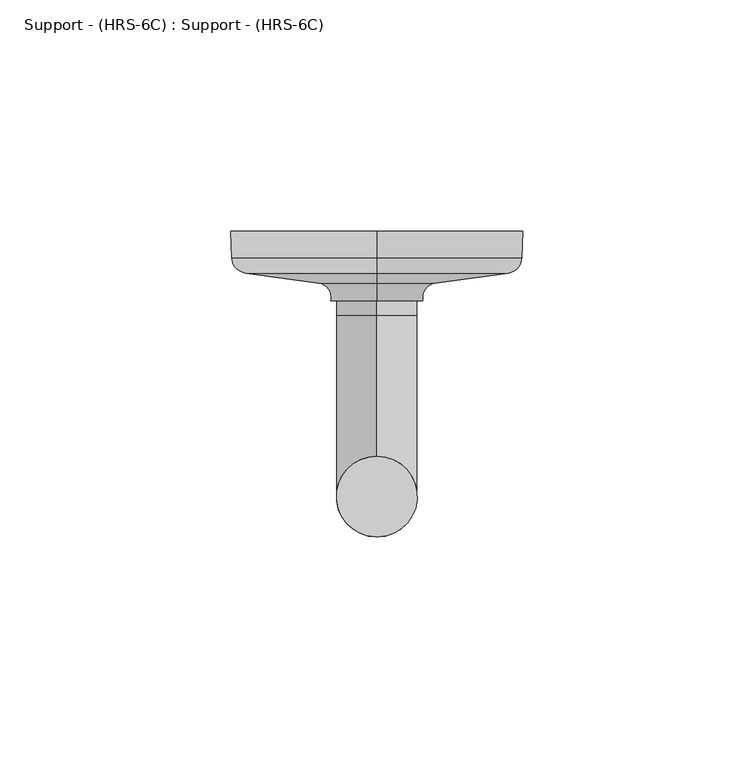
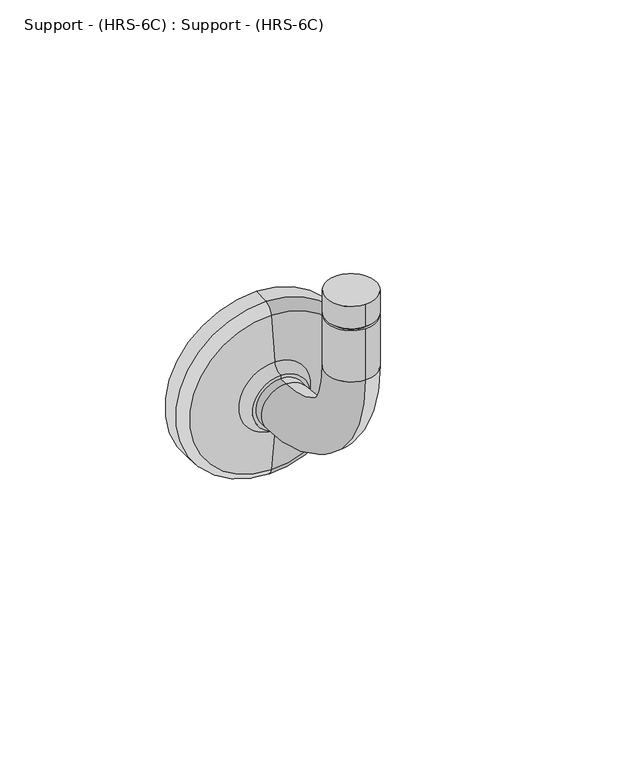
"""IFC4 building model written with IfcOpenShell, lengths in millimetres: proxy geometry, Support - (HRS-6C) : Support - (HRS-6C)."""

import ifcopenshell
import ifcopenshell.guid

model = None  # the IFC model being written
_history = None  # IfcOwnerHistory: only IFC2X3 demands one
_inside = {}  # id of a spatial element -> (the spatial element, [elements in it])
_under = {}  # id of a project, library or spatial element -> (it, [spatial elements below it])
_declared = {}  # id of a project -> (the project, [libraries it declares])
_typed = {}  # id of a type object -> (the type object, [elements of that type])
_made_of = {}  # id of a material, layer set ... -> (it, [elements and type objects made of it])


def new_model(schema):
    """Start an empty IFC model of exactly this schema.

    Asked for "IFC4X3", IfcOpenShell would pick the latest addendum, in which some entities
    have other attributes; the version numbers below select the first issue.
    IFC2X3 requires an IfcOwnerHistory on every rooted entity: one is made here for all.
    """
    global model, _history
    if schema == "IFC4X3":
        model = ifcopenshell.file(schema_version=(4, 3, 0, 0))
    else:
        model = ifcopenshell.file(schema=schema)
    _inside.clear()
    _under.clear()
    _declared.clear()
    _typed.clear()
    _made_of.clear()
    _history = None
    if model.schema == "IFC2X3":
        org = make("IfcOrganization", Name="unknown")
        user = make(
            "IfcPersonAndOrganization",
            ThePerson=make("IfcPerson", FamilyName="unknown"),
            TheOrganization=org,
        )
        app = make(
            "IfcApplication",
            ApplicationDeveloper=org,
            Version="unknown",
            ApplicationFullName="unknown",
            ApplicationIdentifier="unknown",
        )
        _history = make(
            "IfcOwnerHistory",
            OwningUser=user,
            OwningApplication=app,
            ChangeAction="ADDED",
            CreationDate=0,
        )
    return model


def make(cls, **values):
    """One entity of the class cls with the attributes given. An attribute that is None is left unset."""
    return model.create_entity(
        cls, **{name: value for name, value in values.items() if value is not None}
    )


def rooted(cls, **values):
    """An entity with a GlobalId (a new one), such as an element, a storey or a relation."""
    return make(cls, GlobalId=ifcopenshell.guid.new(), OwnerHistory=_history, **values)


def si_unit(unit_type, name, prefix=None):
    """IfcSIUnit, for example si_unit("LENGTHUNIT", "METRE", prefix="MILLI")."""
    return make("IfcSIUnit", UnitType=unit_type, Prefix=prefix, Name=name)


def assignment(units):
    """IfcUnitAssignment: the units of a project."""
    return None if units is None else make("IfcUnitAssignment", Units=units)


def point(xyz):
    """IfcCartesianPoint."""
    return None if xyz is None else make("IfcCartesianPoint", Coordinates=xyz)


def direction(xyz):
    """IfcDirection."""
    return None if xyz is None else make("IfcDirection", DirectionRatios=xyz)


def frame(location, z_axis=None, x_axis=None):
    """IfcAxis2Placement3D, a coordinate frame: its origin and axes. An axis left out is left unset."""
    return make(
        "IfcAxis2Placement3D",
        Location=point(location),
        Axis=direction(z_axis),
        RefDirection=direction(x_axis),
    )


def origin():
    """The frame at (0, 0, 0) with its axes left unset."""
    return frame((0.0, 0.0, 0.0))


def place(relative_to, where):
    """IfcLocalPlacement: puts the frame where relative to a parent placement (None: the world)."""
    return make(
        "IfcLocalPlacement", PlacementRelTo=relative_to, RelativePlacement=where
    )


def context(
    kind, dimensions, precision=None, world=None, true_north=None, identifier=None
):
    """IfcGeometricRepresentationContext, for example the 3D "Model" context."""
    return make(
        "IfcGeometricRepresentationContext",
        ContextIdentifier=identifier,
        ContextType=kind,
        CoordinateSpaceDimension=dimensions,
        Precision=precision,
        WorldCoordinateSystem=world,
        TrueNorth=true_north,
    )


def project(units=None, contexts=None):
    """IfcProject with its units and contexts."""
    return rooted(
        "IfcProject",
        Name="project",
        RepresentationContexts=contexts,
        UnitsInContext=assignment(units),
    )


def spatial(cls, under=None, at=None, **own):
    """A site, building, storey or space (cls), placed at a placement, below another one or the project."""
    s = rooted(cls, ObjectPlacement=at, **own)
    if under is not None:
        _under.setdefault(under.id(), (under, []))[1].append(s)
    return s


def polyline(points):
    """IfcPolyline through the points."""
    return make("IfcPolyline", Points=[point(p) for p in points])


def circle_curve(where, radius):
    """IfcCircle in the frame where."""
    return make("IfcCircle", Position=where, Radius=radius)


def ellipse_curve(where, semi_axis1, semi_axis2):
    """IfcEllipse in the frame where."""
    return make(
        "IfcEllipse", Position=where, SemiAxis1=semi_axis1, SemiAxis2=semi_axis2
    )


def trimmed(basis, trim1, trim2, sense, master):
    """IfcTrimmedCurve: the piece of a basis curve between two trims."""
    return make(
        "IfcTrimmedCurve",
        BasisCurve=basis,
        Trim1=trim1,
        Trim2=trim2,
        SenseAgreement=sense,
        MasterRepresentation=master,
    )


def shape(context_of_items, identifier, shape_type, items):
    """IfcShapeRepresentation: the items that make up one representation, for example the "Body"."""
    return make(
        "IfcShapeRepresentation",
        ContextOfItems=context_of_items,
        RepresentationIdentifier=identifier,
        RepresentationType=shape_type,
        Items=items,
    )


def source(mapping_origin, context_of_items, identifier, shape_type, items):
    """IfcRepresentationMap: a shape defined once, which mapped items show again and again."""
    return make(
        "IfcRepresentationMap",
        MappingOrigin=mapping_origin,
        MappedRepresentation=shape(context_of_items, identifier, shape_type, items),
    )


def transform(
    local_origin,
    x_axis=None,
    y_axis=None,
    z_axis=None,
    scale=None,
    scale2=None,
    scale3=None,
    uniform=True,
):
    """IfcCartesianTransformationOperator3D, or its non-uniform kind. x_axis, y_axis, z_axis: its Axis1, 2, 3."""
    if uniform:
        return make(
            "IfcCartesianTransformationOperator3D",
            Axis1=direction(x_axis),
            Axis2=direction(y_axis),
            LocalOrigin=point(local_origin),
            Scale=scale,
            Axis3=direction(z_axis),
        )
    return make(
        "IfcCartesianTransformationOperator3DnonUniform",
        Axis1=direction(x_axis),
        Axis2=direction(y_axis),
        LocalOrigin=point(local_origin),
        Scale=scale,
        Axis3=direction(z_axis),
        Scale2=scale2,
        Scale3=scale3,
    )


def mapped(mapping_source, mapping_target):
    """IfcMappedItem: shows the shape of a source again, moved by a transform."""
    return make(
        "IfcMappedItem", MappingSource=mapping_source, MappingTarget=mapping_target
    )


def made_of(thing, what):
    """Note that an element or type object is made of a material, layer set ...; save() writes the relation."""
    if what is not None:
        _made_of.setdefault(what.id(), (what, []))[1].append(thing)
    return thing


def element(
    cls,
    number,
    at=None,
    inside=None,
    cuts=None,
    type_object=None,
    material=None,
    context=None,
    identifier="Body",
    shape_type=None,
    held_by="IfcProductDefinitionShape",
    body=None,
    shapes=None,
    **own,
):
    """One element of the class cls, such as IfcWall. Its Tag is "e" and its number.

    at: its placement. inside: the storey or other place that contains it. cuts: it is an
    opening in that element (IfcRelVoidsElement). A single representation is given by context,
    identifier, shape_type and body (its items); several are given by shapes. held_by: the class
    of the entity that holds the representations. save() writes the other relations.
    """
    e = rooted(cls, Tag="e%d" % number, ObjectPlacement=at, **own)
    if body is not None:
        shapes = [shape(context, identifier, shape_type, body)]
    if shapes is not None:
        e.Representation = make(held_by, Representations=shapes)
    if inside is not None:
        _inside.setdefault(inside.id(), (inside, []))[1].append(e)
    if cuts is not None:
        rooted(
            "IfcRelVoidsElement", RelatingBuildingElement=cuts, RelatedOpeningElement=e
        )
    if type_object is not None:
        _typed.setdefault(type_object.id(), (type_object, []))[1].append(e)
    return made_of(e, material)


def aggregate(whole, parts):
    """IfcRelAggregates: a whole, such as a stair, and the parts it consists of."""
    return rooted("IfcRelAggregates", RelatingObject=whole, RelatedObjects=parts)


def save(model, path):
    """Write the relations noted so far, then the file.

    IfcRelAggregates (storeys below a building ...), IfcRelContainedInSpatialStructure (elements
    in a storey), IfcRelDefinesByType, IfcRelAssociatesMaterial and IfcRelDeclares: one each for
    every whole, place, type object, material and project.
    """
    for whole, parts in _under.values():
        aggregate(whole, parts)
    for where, things in _inside.values():
        rooted(
            "IfcRelContainedInSpatialStructure",
            RelatedElements=things,
            RelatingStructure=where,
        )
    for kind, things in _typed.values():
        rooted("IfcRelDefinesByType", RelatedObjects=things, RelatingType=kind)
    for what, things in _made_of.values():
        rooted("IfcRelAssociatesMaterial", RelatedObjects=things, RelatingMaterial=what)
    for by, libraries in _declared.values():
        rooted("IfcRelDeclares", RelatingContext=by, RelatedDefinitions=libraries)
    model.write(path)


def plane_surface(at):
    """IfcPlane: the flat surface through the origin of the frame at, square to its z axis."""
    return make("IfcPlane", Position=at)


def cylinder_surface(at, radius):
    """IfcCylindricalSurface: all points at the distance radius from the z axis of the frame at."""
    return make("IfcCylindricalSurface", Position=at, Radius=radius)


def revolved_surface(curve, axis_point, axis_direction):
    """IfcSurfaceOfRevolution: the curve turned about the line through axis_point along axis_direction."""
    return make(
        "IfcSurfaceOfRevolution",
        SweptCurve=make("IfcArbitraryOpenProfileDef", ProfileType="CURVE", Curve=curve),
        AxisPosition=make("IfcAxis1Placement", Location=point(axis_point), Axis=direction(axis_direction)),
    )


def advanced_brep(points, edges, surfaces, faces):
    """IfcAdvancedBrep: a solid bounded by faces that lie on surfaces and meet in shared edges.

    An edge is (start, end): straight between two places in points (the first is 0);
    or (start, end, curve); or (start, end, curve, False) where it runs against its curve.
    A face is (place in surfaces, loops), or (place, loops, False) where it looks against
    its surface's normal. A loop lists edges by number (the first is 1), with a minus sign
    where the edge is run from its end to its start. The first loop is the outer one.
    """
    corners = [point(p) for p in points]
    vertices = [make("IfcVertexPoint", VertexGeometry=c) for c in corners]
    made = []
    for start, end, *more in edges:
        made.append(
            make(
                "IfcEdgeCurve",
                EdgeStart=vertices[start],
                EdgeEnd=vertices[end],
                EdgeGeometry=more[0] if more else make("IfcPolyline", Points=[corners[start], corners[end]]),
                SameSense=more[1] if len(more) > 1 else True,
            )
        )
    hull = []
    for where, loops, *sense in faces:
        bounds = []
        for j, loop in enumerate(loops):
            ring = [make("IfcOrientedEdge", EdgeElement=made[abs(k) - 1], Orientation=k > 0) for k in loop]
            bounds.append(
                make(
                    "IfcFaceOuterBound" if j == 0 else "IfcFaceBound",
                    Bound=make("IfcEdgeLoop", EdgeList=ring),
                    Orientation=True,
                )
            )
        hull.append(make("IfcAdvancedFace", Bounds=bounds, FaceSurface=surfaces[where], SameSense=sense[0] if sense else True))
    return make("IfcAdvancedBrep", Outer=make("IfcClosedShell", CfsFaces=hull))


def support_hrs_6c_support_hrs_6c_26992e43(model_context):
    return source(origin(), model_context, "Body", "AdvancedBrep", [
        advanced_brep(
        [(0.0, 40.4816369, -56.0517338), (0.0, 40.4816369, -73.5142338), (0.0, 37.3627781, -56.0517338), (0.0, 37.3627781, -73.5142338), (0.0, -10.6780849, -25.4733708), (0.0, 6.7844151, -25.4733708), (0.0, 6.7844151, -6.5915254), (0.0, -10.6780849, -6.5915254), (0.0, 6.7844151, -5.7977754), (0.0, 6.7844151, 2.3411623), (0.3777556, -10.6699093, 2.3411623), (0.0, -10.6780849, 2.3411623), (0.0, -10.6780849, -5.7977754), (-0.3777556, -10.6699093, 2.3411623), (0.0, -9.8843349, -5.7977754), (0.0, -9.8843349, -6.5915254), (0.0, 5.9906651, -6.5915254), (0.0, 5.9906651, -5.7977754)],
        [
            (0, 1, circle_curve(frame((0.0, 40.4816369, -64.7829838), z_axis=(0.0, 1.0, 0.0), x_axis=(0.0, 0.0, -1.0)), 8.73125)),
            (1, 0, circle_curve(frame((0.0, 40.4816369, -64.7829838), z_axis=(0.0, 1.0, 0.0), x_axis=(0.0, 0.0, -1.0)), 8.73125)),
            (0, 2),
            (2, 3, circle_curve(frame((0.0, 37.3627781, -64.7829838), z_axis=(0.0, 1.0, 0.0), x_axis=(0.0, 0.0, -1.0)), 8.73125)),
            (3, 1),
            (3, 2, circle_curve(frame((0.0, 37.3627781, -64.7829838), z_axis=(0.0, 1.0, 0.0), x_axis=(0.0, 0.0, -1.0)), 8.73125)),
            (4, 5, circle_curve(frame((0.0, -1.9468349, -25.4733708), z_axis=(0.0, 0.0, 1.0), x_axis=(0.0, -1.0, 0.0)), 8.73125)),
            (5, 6),
            (6, 7, circle_curve(frame((0.0, -1.9468349, -6.5915254), z_axis=(0.0, 0.0, -1.0), x_axis=(0.0, -1.0, 0.0)), 8.73125)),
            (7, 4),
            (8, 9),
            (9, 10, circle_curve(frame((0.0, -1.9468349, 2.3411623), z_axis=(0.0, 0.0, -1.0), x_axis=(0.0, -1.0, 0.0)), 8.73125)),
            (10, 11, circle_curve(frame((0.0, -1.9468349, 2.3411623), z_axis=(0.0, 0.0, -1.0), x_axis=(0.0, -1.0, 0.0)), 8.73125)),
            (11, 12),
            (12, 8, circle_curve(frame((0.0, -1.9468349, -5.7977754), z_axis=(0.0, 0.0, 1.0), x_axis=(0.0, -1.0, 0.0)), 8.73125)),
            (8, 12, circle_curve(frame((0.0, -1.9468349, -5.7977754), z_axis=(0.0, 0.0, 1.0), x_axis=(0.0, -1.0, 0.0)), 8.73125)),
            (11, 13, circle_curve(frame((0.0, -1.9468349, 2.3411623), z_axis=(0.0, 0.0, -1.0), x_axis=(0.0, -1.0, 0.0)), 8.73125)),
            (13, 9, circle_curve(frame((0.0, -1.9468349, 2.3411623), z_axis=(0.0, 0.0, -1.0), x_axis=(0.0, -1.0, 0.0)), 8.73125)),
            (5, 4, circle_curve(frame((0.0, -1.9468349, -25.4733708), z_axis=(0.0, 0.0, 1.0), x_axis=(0.0, -1.0, 0.0)), 8.73125)),
            (7, 6, circle_curve(frame((0.0, -1.9468349, -6.5915254), z_axis=(0.0, 0.0, -1.0), x_axis=(0.0, -1.0, 0.0)), 8.73125)),
            (14, 15),
            (15, 16, circle_curve(frame((0.0, -1.9468349, -6.5915254), z_axis=(0.0, 0.0, 1.0), x_axis=(0.0, 1.0, 0.0)), 7.9375)),
            (16, 17),
            (17, 14, circle_curve(frame((0.0, -1.9468349, -5.7977754), z_axis=(0.0, 0.0, -1.0), x_axis=(0.0, 1.0, 0.0)), 7.9375)),
            (17, 14, circle_curve(frame((0.0, -1.9468349, -5.7977754), z_axis=(0.0, 0.0, 1.0), x_axis=(0.0, -1.0, 0.0)), 7.9375)),
            (15, 16, circle_curve(frame((0.0, -1.9468349, -6.5915254), z_axis=(0.0, 0.0, -1.0), x_axis=(0.0, -1.0, 0.0)), 7.9375)),
            (2, 5, circle_curve(frame((0.0, 37.3627781, -25.4733708), z_axis=(-1.0, 0.0, 0.0), x_axis=(0.0, 0.0, -1.0)), 30.578363)),
            (4, 3, circle_curve(frame((0.0, 37.3627781, -25.4733708), z_axis=(1.0, 0.0, 0.0), x_axis=(0.0, 0.0, -1.0)), 48.040863)),
        ],
        [
            plane_surface(frame((0.0, 40.4816369, -73.5142338), z_axis=(0.0, 1.0, 0.0), x_axis=(1.0, 0.0, 0.0))),
            cylinder_surface(frame((0.0, 40.4816369, -64.7829838), z_axis=(0.0, 1.0, 0.0), x_axis=(0.0, 0.0, -1.0)), 8.73125),
            cylinder_surface(frame((0.0, -1.9468349, -25.4733708), z_axis=(0.0, 0.0, -1.0), x_axis=(0.0, -1.0, 0.0)), 8.73125),
            cylinder_surface(frame((0.0, -1.9468349, 2.3411623), z_axis=(0.0, 0.0, -1.0), x_axis=(0.0, 1.0, 0.0)), 7.9375),
            plane_surface(frame((0.0, -1.9468349, -5.7977754), z_axis=(0.0, 0.0, -1.0), x_axis=(0.0, -1.0, 0.0))),
            plane_surface(frame((0.0, -1.9468349, -6.5915254), z_axis=(0.0, 0.0, 1.0), x_axis=(0.0, -1.0, 0.0))),
            cylinder_surface(frame((0.0, -1.9468349, 2.3411623), z_axis=(0.0, 0.0, -1.0), x_axis=(0.0, -1.0, 0.0)), 7.9375),
            revolved_surface(trimmed(ellipse_curve(frame((0.0, 37.3627781, -64.7829838), z_axis=(0.0, 1.0, 0.0), x_axis=(0.0, 0.0, -1.0)), 8.73125, 8.73125), [point((0.0, 37.3627781, -56.0517338))], [point((0.0, 37.3627781, -73.5142338))], True, "CARTESIAN"), (0.0, 37.3627781, -25.4733708), (-1.0, 0.0, 0.0)),
            revolved_surface(trimmed(ellipse_curve(frame((0.0, 37.3627781, -64.7829838), z_axis=(0.0, 1.0, 0.0), x_axis=(0.0, 0.0, -1.0)), 8.73125, 8.73125), [point((0.0, 37.3627781, -73.5142338))], [point((0.0, 37.3627781, -56.0517338))], True, "CARTESIAN"), (0.0, 37.3627781, -25.4733708), (-1.0, 0.0, 0.0)),
            plane_surface(frame((0.0, -10.6780849, 2.3411623), z_axis=(0.0, 0.0, 1.0), x_axis=(1.0, 0.0, 0.0))),
        ],
        [
            (0, [[1, 2]]),
            (1, [[-1, 3, 4, 5]]),
            (1, [[-2, -5, 6, -3]]),
            (2, [[7, 8, 9, 10]]),
            (2, [[11, 12, 13, 14, 15]]),
            (2, [[-11, 16, -14, 17, 18]]),
            (2, [[19, -10, 20, -8]]),
            (3, [[21, 22, 23, 24]]),
            (4, [[-15, -16], [-24, 25]]),
            (5, [[-9, -20], [-22, 26]]),
            (6, [[-21, -25, -23, -26]]),
            (7, [[-4, 27, -7, 28]]),
            (8, [[-6, -28, -19, -27]]),
            (9, [[-18, -17, -13, -12]]),
        ],
    ),
        advanced_brep(
        [(0.0, 49.7503559, -96.3328755), (0.0, 49.7503559, -33.2330921), (0.0, 55.5543244, -33.0303433), (0.0, 55.5543244, -96.5356243), (0.0, 46.4525716, -93.3510978), (0.0, 46.4525716, -36.2148698), (0.0, 44.2816538, -77.4239063), (0.0, 44.2816538, -52.1420613), (0.0, 40.4816369, -74.8118033), (0.0, 40.4816369, -54.7541643), (0.0, 40.4816369, -64.7829838), (0.0, 55.5543244, -64.7829838)],
        [
            (0, 1, circle_curve(frame((0.0, 49.7503559, -64.7829838), z_axis=(0.0, 1.0, 0.0), x_axis=(0.0, 0.0, 1.0)), 31.5498917)),
            (1, 2),
            (2, 3, circle_curve(frame((0.0, 55.5543244, -64.7829838), z_axis=(0.0, -1.0, 0.0), x_axis=(0.0, 0.0, 1.0)), 31.7526405)),
            (3, 0),
            (1, 0, circle_curve(frame((0.0, 49.7503559, -64.7829838), z_axis=(0.0, 1.0, 0.0), x_axis=(0.0, 0.0, 1.0)), 31.5498917)),
            (3, 2, circle_curve(frame((0.0, 55.5543244, -64.7829838), z_axis=(0.0, -1.0, 0.0), x_axis=(0.0, 0.0, 1.0)), 31.7526405)),
            (4, 5, circle_curve(frame((0.0, 46.4525716, -64.7829838), z_axis=(0.0, 1.0, 0.0), x_axis=(0.0, 0.0, 1.0)), 28.568114)),
            (5, 1, circle_curve(frame((0.0, 49.8707517, -36.6807767), z_axis=(-1.0, 0.0, 0.0), x_axis=(0.0, 1.0, 0.0)), 3.4497861)),
            (0, 4, circle_curve(frame((0.0, 49.8707517, -92.8851909), z_axis=(-1.0, 0.0, 0.0), x_axis=(0.0, 1.0, 0.0)), 3.4497861)),
            (5, 4, circle_curve(frame((0.0, 46.4525716, -64.7829838), z_axis=(0.0, 1.0, 0.0), x_axis=(0.0, 0.0, 1.0)), 28.568114)),
            (6, 7, circle_curve(frame((0.0, 44.2816538, -64.7829838), z_axis=(0.0, 1.0, 0.0), x_axis=(0.0, 0.0, 1.0)), 12.6409225)),
            (7, 5),
            (4, 6),
            (7, 6, circle_curve(frame((0.0, 44.2816538, -64.7829838), z_axis=(0.0, 1.0, 0.0), x_axis=(0.0, 0.0, 1.0)), 12.6409225)),
            (8, 9, circle_curve(frame((0.0, 40.4816369, -64.7829838), z_axis=(0.0, 1.0, 0.0), x_axis=(0.0, 0.0, 1.0)), 10.0288195)),
            (9, 7, circle_curve(frame((0.0, 41.1946429, -51.7212936), z_axis=(1.0, 0.0, 0.0), x_axis=(0.0, 1.0, 0.0)), 3.1155549)),
            (6, 8, circle_curve(frame((0.0, 41.1946429, -77.844674), z_axis=(1.0, 0.0, 0.0), x_axis=(0.0, 1.0, 0.0)), 3.1155549)),
            (9, 8, circle_curve(frame((0.0, 40.4816369, -64.7829838), z_axis=(0.0, 1.0, 0.0), x_axis=(0.0, 0.0, 1.0)), 10.0288195)),
            (10, 9),
            (8, 10),
            (2, 11),
            (11, 3),
        ],
        [
            revolved_surface(polyline([(0.0, 55.5543244, -33.0303433), (0.0, 49.7503559, -33.2330921)]), (0.0, 40.4816369, -64.7829838), (0.0, -1.0, 0.0)),
            revolved_surface(trimmed(ellipse_curve(frame((0.0, 49.8707517, -36.6807767), z_axis=(1.0, 0.0, 0.0), x_axis=(0.0, 1.0, 0.0)), 3.4497861, 3.4497861), [point((0.0, 49.7503559, -33.2330921))], [point((0.0, 46.4525716, -36.2148698))], True, "CARTESIAN"), (0.0, 40.4816369, -64.7829838), (0.0, -1.0, 0.0)),
            revolved_surface(polyline([(0.0, 46.4525716, -36.2148698), (0.0, 44.2816538, -52.1420613)]), (0.0, 40.4816369, -64.7829838), (0.0, -1.0, 0.0)),
            revolved_surface(trimmed(ellipse_curve(frame((0.0, 41.1946429, -51.7212936), z_axis=(-1.0, 0.0, 0.0), x_axis=(0.0, 1.0, 0.0)), 3.1155549, 3.1155549), [point((0.0, 44.2816538, -52.1420613))], [point((0.0, 40.4816369, -54.7541643))], True, "CARTESIAN"), (0.0, 40.4816369, -64.7829838), (0.0, -1.0, 0.0)),
            plane_surface(frame((0.0, 40.4816369, -64.7829838), z_axis=(0.0, -1.0, 0.0), x_axis=(0.0, 0.0, 1.0))),
            plane_surface(frame((0.0, 55.5543244, -64.7829838), z_axis=(0.0, 1.0, 0.0), x_axis=(0.0, 0.0, 1.0))),
        ],
        [
            (0, [[1, 2, 3, 4]]),
            (0, [[5, -4, 6, -2]]),
            (1, [[7, 8, -1, 9]]),
            (1, [[10, -9, -5, -8]]),
            (2, [[11, 12, -7, 13]]),
            (2, [[14, -13, -10, -12]]),
            (3, [[15, 16, -11, 17]]),
            (3, [[18, -17, -14, -16]]),
            (4, [[19, -15, 20]]),
            (4, [[-20, -18, -19]]),
            (5, [[-3, 21, 22]]),
            (5, [[-6, -22, -21]]),
        ],
    ),
    ])


if __name__ == "__main__":
    model = new_model("IFC4")
    model_context = context("Model", 3, world=origin())
    ifc_project = project(units=[si_unit("LENGTHUNIT", "METRE", prefix="MILLI")], contexts=[model_context])
    site = spatial("IfcSite", under=ifc_project)
    building = spatial("IfcBuilding", under=site)
    placement = place(None, origin())
    support_hrs_6c_support_hrs_6c_shape = support_hrs_6c_support_hrs_6c_26992e43(model_context)
    element("IfcBuildingElementProxy", 1, Name="Support - (HRS-6C) : Support - (HRS-6C)", ObjectType="Support - (HRS-6C) : Support - (HRS-6C)", at=placement, inside=building, context=model_context, shape_type="MappedRepresentation", body=[
        mapped(support_hrs_6c_support_hrs_6c_shape, transform((0.0, 0.0, 0.0), x_axis=(1.0, 0.0, 0.0), y_axis=(0.0, 1.0, 0.0), z_axis=(0.0, 0.0, 1.0))),
    ])
    save(model, "model.ifc")
